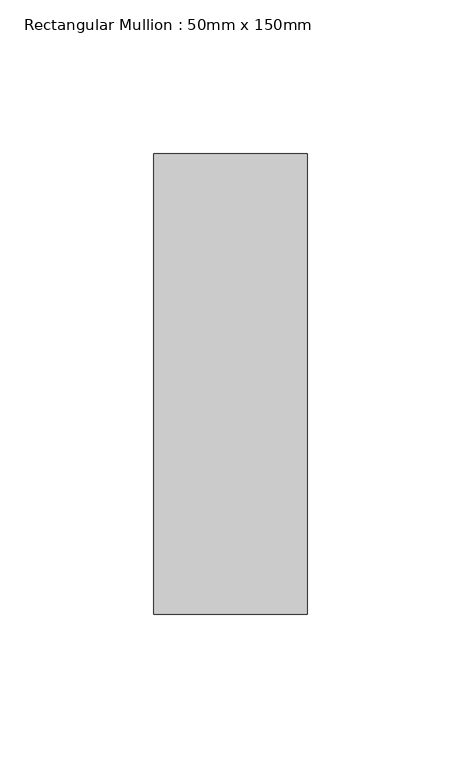
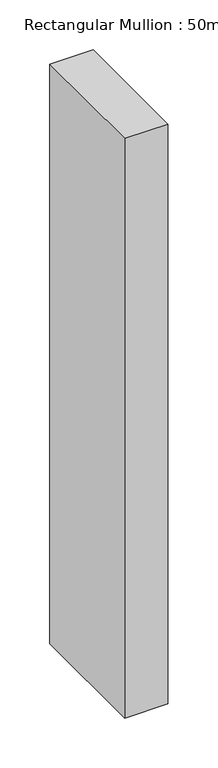
"""IFC4 building model written with IfcOpenShell, lengths in millimetres: member geometry, Rectangular Mullion : 50mm x 150mm."""

from ifc_helpers import new_model, si_unit, frame, origin, place, context, project, spatial, polyline, outline, extrude, source, transform, mapped, element, save


def rectangular_mullion_50mm_x_150mm_754701be(model_context):
    return source(origin(), model_context, "Body", "SweptSolid", [
        extrude(outline(polyline([(0.0, 75.0), (0.0, -75.0), (-50.0, -75.0), (-50.0, 75.0), (0.0, 75.0)])), frame((0.0, 0.0, -710.0), z_axis=(0.0, 0.0, 1.0), x_axis=(1.0, 0.0, 0.0)), (0.0, 0.0, 1.0), 710.0),
    ])


if __name__ == "__main__":
    model = new_model("IFC4")
    model_context = context("Model", 3, world=origin())
    ifc_project = project(units=[si_unit("LENGTHUNIT", "METRE", prefix="MILLI")], contexts=[model_context])
    site = spatial("IfcSite", under=ifc_project)
    building = spatial("IfcBuilding", under=site)
    placement = place(None, origin())
    rectangular_mullion_50mm_x_150mm_shape = rectangular_mullion_50mm_x_150mm_754701be(model_context)
    element("IfcMember", 1, ObjectType="Rectangular Mullion : 50mm x 150mm", at=placement, inside=building, context=model_context, shape_type="MappedRepresentation", body=[
        mapped(rectangular_mullion_50mm_x_150mm_shape, transform((0.0, 0.0, 0.0), x_axis=(1.0, 0.0, 0.0), y_axis=(0.0, 1.0, 0.0), z_axis=(0.0, 0.0, 1.0))),
    ])
    save(model, "model.ifc")
